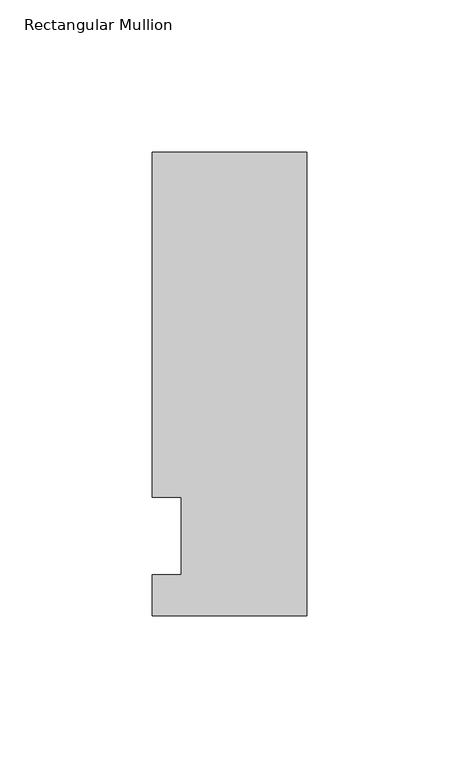
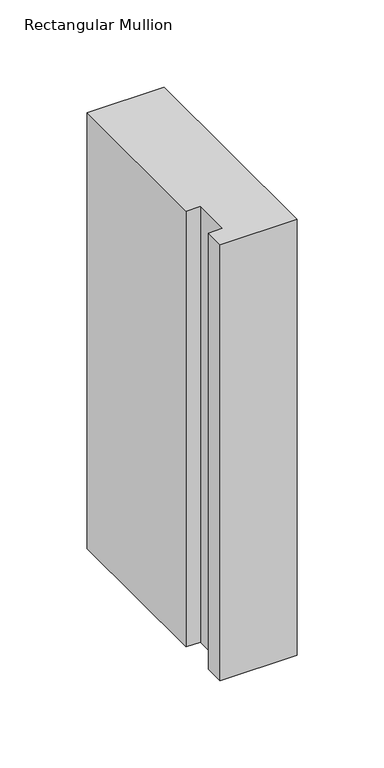
"""IFC4 building model written with IfcOpenShell, lengths in millimetres: member geometry, Rectangular Mullion."""

from ifc_helpers import new_model, si_unit, frame, origin, place, context, project, spatial, polyline, outline, extrude, source, transform, mapped, element, save


def rectangular_mullion_5d069b00(model_context):
    return source(origin(), model_context, "Body", "SweptSolid", [
        extrude(outline(polyline([(-50.8, -26.19375), (-50.8, -12.7), (-41.275, -12.7), (-41.275, 12.7), (-50.8, 12.7), (-50.8, 126.20625), (0.0, 126.20625), (0.0, -26.19375), (-50.8, -26.19375)])), frame((0.0, 0.0, -304.8), z_axis=(0.0, 0.0, 1.0), x_axis=(1.0, 0.0, 0.0)), (0.0, 0.0, 1.0), 304.8),
    ])


if __name__ == "__main__":
    model = new_model("IFC4")
    model_context = context("Model", 3, world=origin())
    ifc_project = project(units=[si_unit("LENGTHUNIT", "METRE", prefix="MILLI")], contexts=[model_context])
    site = spatial("IfcSite", under=ifc_project)
    building = spatial("IfcBuilding", under=site)
    placement = place(None, origin())
    rectangular_mullion_shape = rectangular_mullion_5d069b00(model_context)
    element("IfcMember", 1, ObjectType="Rectangular Mullion", at=placement, inside=building, context=model_context, shape_type="MappedRepresentation", body=[
        mapped(rectangular_mullion_shape, transform((0.0, 0.0, 0.0), x_axis=(1.0, 0.0, 0.0), y_axis=(0.0, 1.0, 0.0), z_axis=(0.0, 0.0, 1.0))),
    ])
    save(model, "model.ifc")
